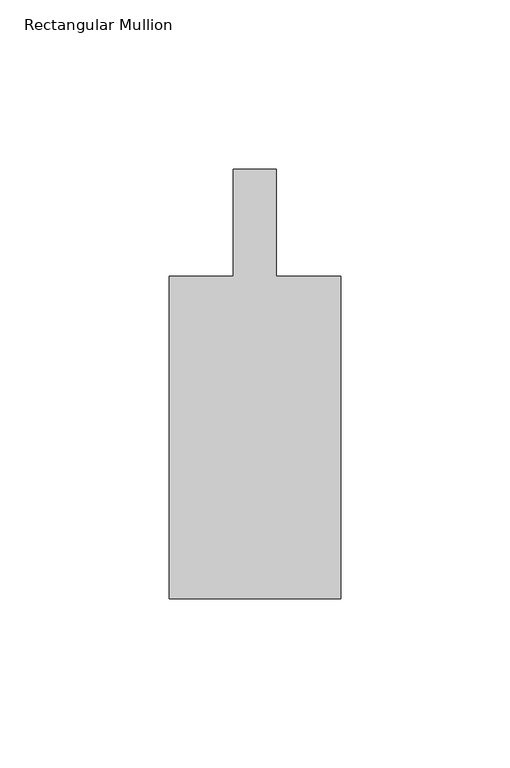
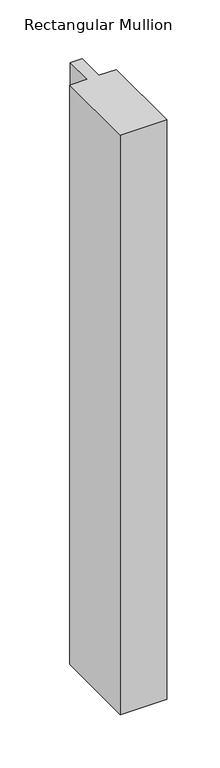
"""IFC4 building model written with IfcOpenShell, lengths in millimetres: member geometry, Rectangular Mullion."""

from ifc_helpers import new_model, si_unit, frame, origin, place, context, project, spatial, polyline, outline, extrude, source, transform, mapped, element, save


def rectangular_mullion_629d543f(model_context):
    return source(origin(), model_context, "Body", "SweptSolid", [
        extrude(outline(polyline([(25.4001903, -152.3999726), (-25.3998097, -152.3999726), (-25.3998097, -57.1499726), (-6.3498097, -57.1499726), (-6.3498097, -25.4), (6.3498097, -25.4), (6.3498097, -57.1499726), (25.4001903, -57.1499726), (25.4001903, -152.3999726)])), frame((0.0, 0.0, -668.8666667), z_axis=(0.0, 0.0, 1.0), x_axis=(1.0, 0.0, 0.0)), (0.0, 0.0, 1.0), 668.8666667),
    ])


if __name__ == "__main__":
    model = new_model("IFC4")
    model_context = context("Model", 3, world=origin())
    ifc_project = project(units=[si_unit("LENGTHUNIT", "METRE", prefix="MILLI")], contexts=[model_context])
    site = spatial("IfcSite", under=ifc_project)
    building = spatial("IfcBuilding", under=site)
    placement = place(None, origin())
    rectangular_mullion_shape = rectangular_mullion_629d543f(model_context)
    element("IfcMember", 1, ObjectType="Rectangular Mullion", at=placement, inside=building, context=model_context, shape_type="MappedRepresentation", body=[
        mapped(rectangular_mullion_shape, transform((0.0, 0.0, 0.0), x_axis=(1.0, 0.0, 0.0), y_axis=(0.0, 1.0, 0.0), z_axis=(0.0, 0.0, 1.0))),
    ])
    save(model, "model.ifc")
